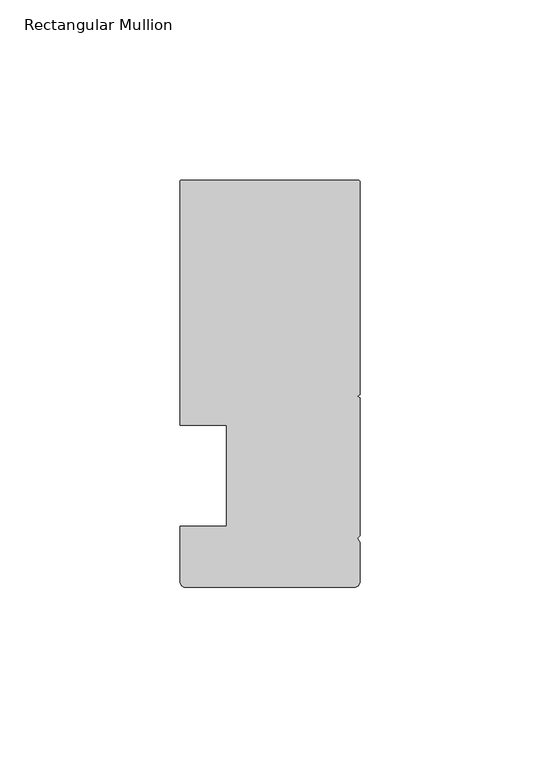
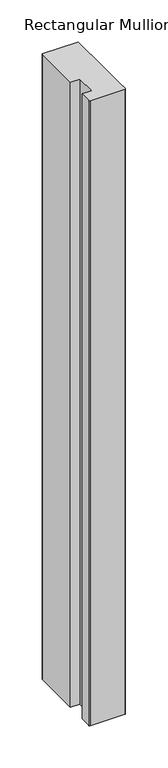
"""IFC4 building model written with IfcOpenShell, lengths in millimetres: member geometry, Rectangular Mullion."""

from ifc_helpers import new_model, si_unit, point, frame, frame_2d, origin, place, context, project, spatial, polyline, circle_curve, trimmed, segment, composite_curve, outline, extrude, source, transform, mapped, element, save


def rectangular_mullion_ac9bee28(model_context):
    return source(origin(), model_context, "Body", "SweptSolid", [
        extrude(outline(composite_curve([segment(trimmed(circle_curve(frame_2d((-49.5, 81.500001)), 0.5), [point((-50.0, 81.500001))], [point((-49.5, 82.000001))], False, "CARTESIAN"), True, "CONTINUOUS"), segment(polyline([(-49.5, 82.000001), (-0.5, 82.000001)]), True, "CONTINUOUS"), segment(trimmed(circle_curve(frame_2d((-0.5, 81.500001)), 0.5), [point((-0.5, 82.000001))], [point((0.0, 81.500001))], False, "CARTESIAN"), True, "CONTINUOUS"), segment(polyline([(0.0, 81.500001), (0.0, 22.4015984), (-0.695587, 22.000001), (0.0, 21.5984037), (0.0, -16.700633), (-0.6643165, -17.3649495), (0.0, -18.5155795), (0.0, -29.499999)]), True, "CONTINUOUS"), segment(trimmed(circle_curve(frame_2d((-1.5, -29.499999)), 1.5), [point((0.0, -29.499999))], [point((-1.5, -30.999999))], False, "CARTESIAN"), True, "CONTINUOUS"), segment(polyline([(-1.5, -30.999999), (-48.5, -30.999999)]), True, "CONTINUOUS"), segment(trimmed(circle_curve(frame_2d((-48.5, -29.499999)), 1.5), [point((-48.5, -30.999999))], [point((-50.0, -29.499999))], False, "CARTESIAN"), True, "CONTINUOUS"), segment(polyline([(-50.0, -29.499999), (-50.0, -14.0), (-36.9999999, -14.0), (-36.9999999, 14.0), (-50.0, 14.0), (-50.0, 81.500001)]), True, "CONTINUOUS")], self_intersect=False)), frame((0.0, 0.0, -909.5880982), z_axis=(0.0, 0.0, 1.0), x_axis=(1.0, 0.0, 0.0)), (0.0, 0.0, 1.0), 909.5880982),
    ])


if __name__ == "__main__":
    model = new_model("IFC4")
    model_context = context("Model", 3, world=origin())
    ifc_project = project(units=[si_unit("LENGTHUNIT", "METRE", prefix="MILLI")], contexts=[model_context])
    site = spatial("IfcSite", under=ifc_project)
    building = spatial("IfcBuilding", under=site)
    placement = place(None, origin())
    rectangular_mullion_shape = rectangular_mullion_ac9bee28(model_context)
    element("IfcMember", 1, ObjectType="Rectangular Mullion", at=placement, inside=building, context=model_context, shape_type="MappedRepresentation", body=[
        mapped(rectangular_mullion_shape, transform((0.0, 0.0, 0.0), x_axis=(1.0, 0.0, 0.0), y_axis=(0.0, 1.0, 0.0), z_axis=(0.0, 0.0, 1.0))),
    ])
    save(model, "model.ifc")
